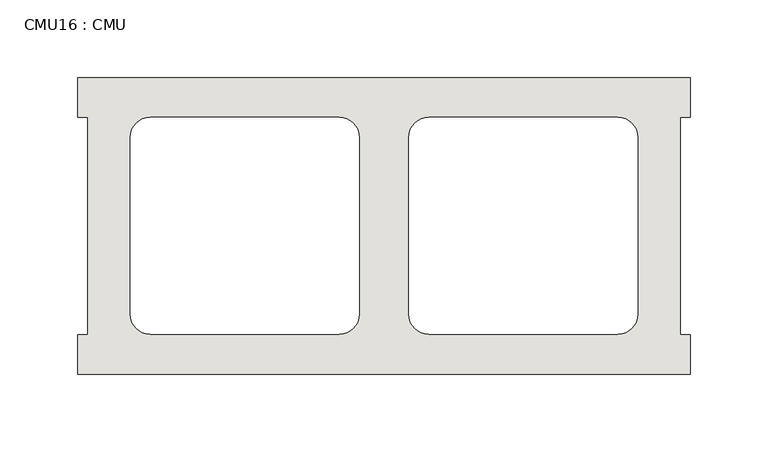
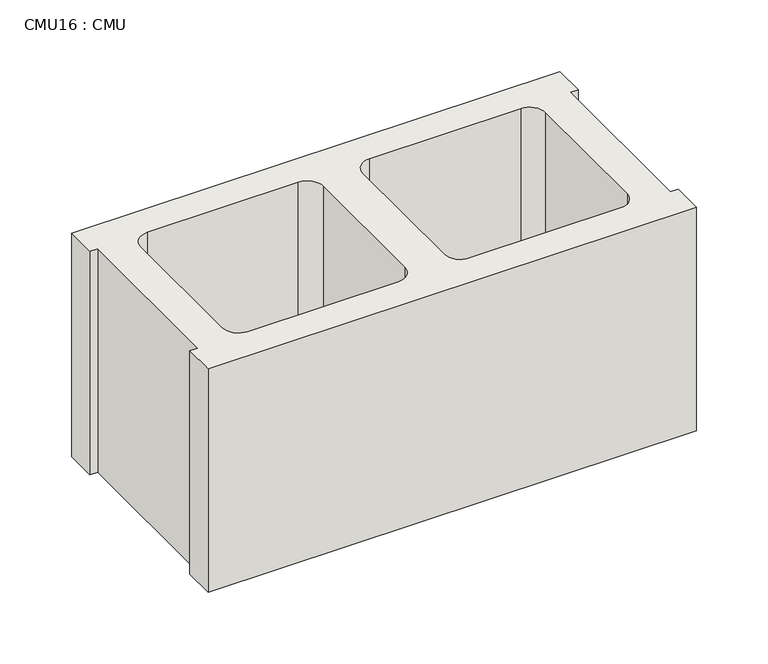
"""IFC4 building model written with IfcOpenShell, lengths in millimetres: wall geometry, CMU16 : CMU."""

from ifc_helpers import new_model, si_unit, point, frame, frame_2d, origin, place, context, project, spatial, polyline, circle_curve, trimmed, segment, composite_curve, outline, extrude, source, transform, mapped, element, save


def cmu16_cmu_11e02f4e(model_context):
    return source(origin(), model_context, "Body", "SweptSolid", [
        extrude(outline(polyline([(-557.3397938, 2484.2276522), (-163.6397938, 2484.2276522), (-163.6397938, 2458.8276522), (-169.9897938, 2458.8276522), (-169.9897938, 2319.1276522), (-163.6397938, 2319.1276522), (-163.6397938, 2293.7276522), (-557.3397938, 2293.7276522), (-557.3397938, 2319.1276522), (-550.9897938, 2319.1276522), (-550.9897938, 2458.8276522), (-557.3397938, 2458.8276522), (-557.3397938, 2484.2276522)]), holes=[composite_curve([segment(polyline([(-389.1717951, 2458.8276522), (-510.8884452, 2458.8276522)]), True, "CONTINUOUS"), segment(trimmed(circle_curve(frame_2d((-510.8884452, 2446.1276522)), 12.7), [point((-510.8884452, 2458.8276522))], [point((-523.5884452, 2446.1276522))], True, "CARTESIAN"), True, "CONTINUOUS"), segment(polyline([(-523.5884452, 2446.1276522), (-523.5884452, 2332.0618125)]), True, "CONTINUOUS"), segment(trimmed(circle_curve(frame_2d((-510.8884452, 2332.0618125)), 12.7), [point((-523.5884452, 2332.0618125))], [point((-510.8884452, 2319.3618125))], True, "CARTESIAN"), True, "CONTINUOUS"), segment(polyline([(-510.8884452, 2319.3618125), (-389.1717951, 2319.3618125)]), True, "CONTINUOUS"), segment(trimmed(circle_curve(frame_2d((-389.1717951, 2332.0618125)), 12.7), [point((-389.1717951, 2319.3618125))], [point((-376.4717951, 2332.0618125))], True, "CARTESIAN"), True, "CONTINUOUS"), segment(polyline([(-376.4717951, 2332.0618125), (-376.4717951, 2446.1276522)]), True, "CONTINUOUS"), segment(trimmed(circle_curve(frame_2d((-389.1717951, 2446.1276522)), 12.7), [point((-376.4717951, 2446.1276522))], [point((-389.1717951, 2458.8276522))], True, "CARTESIAN"), True, "CONTINUOUS")], self_intersect=False), composite_curve([segment(trimmed(circle_curve(frame_2d((-331.8077925, 2446.1276522)), 12.7), [point((-331.8077925, 2458.8276522))], [point((-344.5077925, 2446.1276522))], True, "CARTESIAN"), True, "CONTINUOUS"), segment(polyline([(-344.5077925, 2446.1276522), (-344.5077925, 2332.0618125)]), True, "CONTINUOUS"), segment(trimmed(circle_curve(frame_2d((-331.8077925, 2332.0618125)), 12.7), [point((-344.5077925, 2332.0618125))], [point((-331.8077925, 2319.3618125))], True, "CARTESIAN"), True, "CONTINUOUS"), segment(polyline([(-331.8077925, 2319.3618125), (-210.0911424, 2319.3618125)]), True, "CONTINUOUS"), segment(trimmed(circle_curve(frame_2d((-210.0911424, 2332.0618125)), 12.7), [point((-210.0911424, 2319.3618125))], [point((-197.3911424, 2332.0618125))], True, "CARTESIAN"), True, "CONTINUOUS"), segment(polyline([(-197.3911424, 2332.0618125), (-197.3911424, 2446.1276522)]), True, "CONTINUOUS"), segment(trimmed(circle_curve(frame_2d((-210.0911424, 2446.1276522)), 12.7), [point((-197.3911424, 2446.1276522))], [point((-210.0911424, 2458.8276522))], True, "CARTESIAN"), True, "CONTINUOUS"), segment(polyline([(-210.0911424, 2458.8276522), (-331.8077925, 2458.8276522)]), True, "CONTINUOUS")], self_intersect=False)]), frame((0.0, 0.0, 723.9), z_axis=(0.0, 0.0, 1.0), x_axis=(1.0, 0.0, 0.0)), (0.0, 0.0, 1.0), 190.5),
    ])


if __name__ == "__main__":
    model = new_model("IFC4")
    model_context = context("Model", 3, world=origin())
    ifc_project = project(units=[si_unit("LENGTHUNIT", "METRE", prefix="MILLI")], contexts=[model_context])
    site = spatial("IfcSite", under=ifc_project)
    building = spatial("IfcBuilding", under=site)
    placement = place(None, origin())
    cmu16_cmu_shape = cmu16_cmu_11e02f4e(model_context)
    element("IfcWall", 1, ObjectType="CMU16 : CMU", at=placement, inside=building, context=model_context, shape_type="MappedRepresentation", body=[
        mapped(cmu16_cmu_shape, transform((0.0, 0.0, 0.0), x_axis=(1.0, 0.0, 0.0), y_axis=(0.0, 1.0, 0.0), z_axis=(0.0, 0.0, 1.0))),
    ])
    save(model, "model.ifc")
